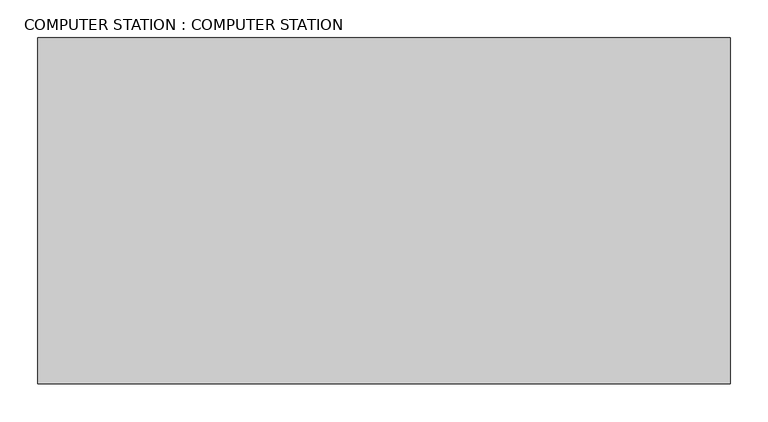
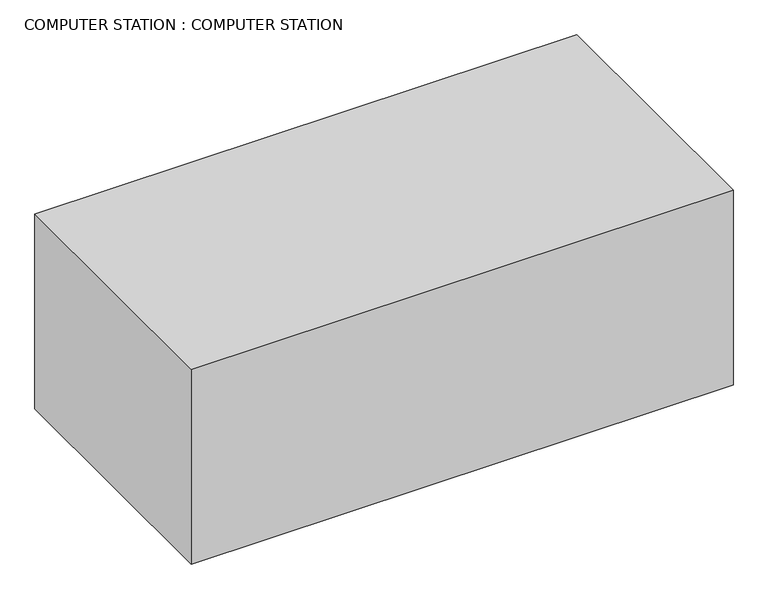
"""IFC4 building model written with IfcOpenShell, lengths in millimetres: proxy geometry, COMPUTER STATION : COMPUTER STATION."""

from ifc_helpers import new_model, si_unit, frame, origin, place, context, project, spatial, polyline, outline, extrude, source, transform, mapped, element, save


def computer_station_computer_station_3341f74b(model_context):
    return source(origin(), model_context, "Body", "SweptSolid", [
        extrude(outline(polyline([(457.2, -228.6), (-457.2, -228.6), (-457.2, 228.6), (457.2, 228.6), (457.2, -228.6)])), frame((0.0, 0.0, 762.0), z_axis=(0.0, 0.0, 1.0), x_axis=(1.0, 0.0, 0.0)), (0.0, 0.0, 1.0), 347.709786),
    ])


if __name__ == "__main__":
    model = new_model("IFC4")
    model_context = context("Model", 3, world=origin())
    ifc_project = project(units=[si_unit("LENGTHUNIT", "METRE", prefix="MILLI")], contexts=[model_context])
    site = spatial("IfcSite", under=ifc_project)
    building = spatial("IfcBuilding", under=site)
    placement = place(None, origin())
    computer_station_computer_station_shape = computer_station_computer_station_3341f74b(model_context)
    element("IfcBuildingElementProxy", 1, Name="COMPUTER STATION : COMPUTER STATION", ObjectType="COMPUTER STATION : COMPUTER STATION", at=placement, inside=building, context=model_context, shape_type="MappedRepresentation", body=[
        mapped(computer_station_computer_station_shape, transform((0.0, 0.0, 0.0), x_axis=(1.0, 0.0, 0.0), y_axis=(0.0, 1.0, 0.0), z_axis=(0.0, 0.0, 1.0))),
    ])
    save(model, "model.ifc")
